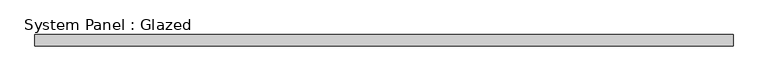
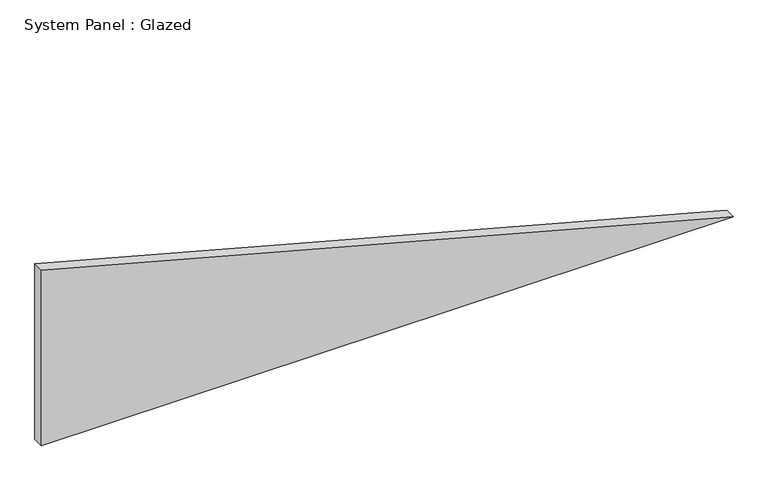
"""IFC4 building model written with IfcOpenShell, lengths in millimetres: plate geometry, System Panel : Glazed."""

from ifc_helpers import new_model, si_unit, frame, origin, place, context, project, spatial, polyline, outline, extrude, source, transform, mapped, element, save


def system_panel_glazed_a2c4c266(model_context):
    return source(origin(), model_context, "Body", "SweptSolid", [
        extrude(outline(polyline([(0.0, -758.7804335), (0.0, 758.7804335), (406.6292088, -758.7804335), (0.0, -758.7804335)])), frame((0.0, -2.5, 0.0), z_axis=(0.0, 1.0, 0.0), x_axis=(0.0, 0.0, 1.0)), (0.0, 0.0, 1.0), 25.0),
    ])


if __name__ == "__main__":
    model = new_model("IFC4")
    model_context = context("Model", 3, world=origin())
    ifc_project = project(units=[si_unit("LENGTHUNIT", "METRE", prefix="MILLI")], contexts=[model_context])
    site = spatial("IfcSite", under=ifc_project)
    building = spatial("IfcBuilding", under=site)
    placement = place(None, origin())
    system_panel_glazed_shape = system_panel_glazed_a2c4c266(model_context)
    element("IfcPlate", 1, ObjectType="System Panel : Glazed", at=placement, inside=building, context=model_context, shape_type="MappedRepresentation", body=[
        mapped(system_panel_glazed_shape, transform((0.0, 0.0, 0.0), x_axis=(1.0, 0.0, 0.0), y_axis=(0.0, 1.0, 0.0), z_axis=(0.0, 0.0, 1.0))),
    ])
    save(model, "model.ifc")
